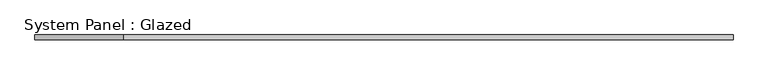
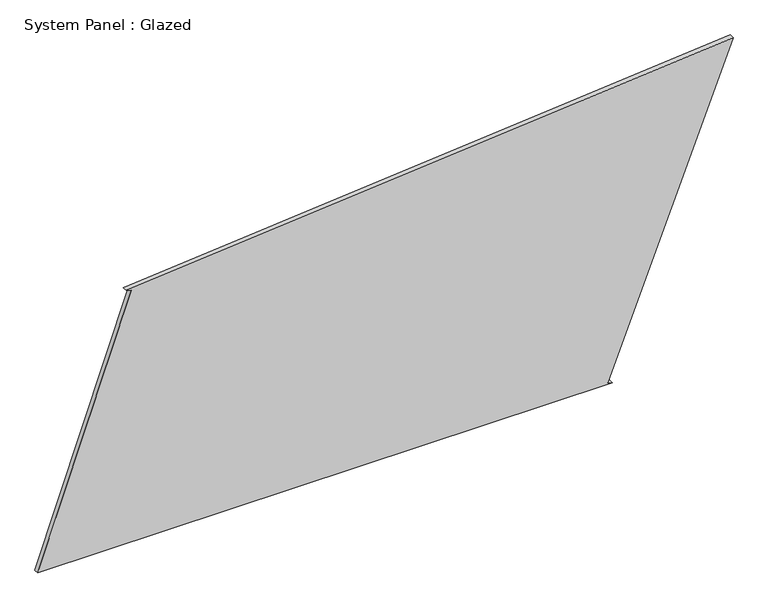
"""IFC4 building model written with IfcOpenShell, lengths in millimetres: plate geometry, System Panel : Glazed."""

from ifc_helpers import new_model, si_unit, frame, origin, place, context, project, spatial, polyline, outline, extrude, source, transform, mapped, element, save


def system_panel_glazed_83387e26(model_context):
    return source(origin(), model_context, "Body", "SweptSolid", [
        extrude(outline(polyline([(0.0, -1736.3080101), (0.0, 1132.7687186), (9.1139056, 1109.4891841), (1610.1893538, 1736.3080101), (1336.9449804, -1294.1897911), (1328.6755509, -1270.597069), (0.0, -1736.3080101)])), frame((0.0, -49.5, 0.0), z_axis=(0.0, 1.0, 0.0), x_axis=(0.0, 0.0, 1.0)), (0.0, 0.0, 1.0), 25.0),
    ])


if __name__ == "__main__":
    model = new_model("IFC4")
    model_context = context("Model", 3, world=origin())
    ifc_project = project(units=[si_unit("LENGTHUNIT", "METRE", prefix="MILLI")], contexts=[model_context])
    site = spatial("IfcSite", under=ifc_project)
    building = spatial("IfcBuilding", under=site)
    placement = place(None, origin())
    system_panel_glazed_shape = system_panel_glazed_83387e26(model_context)
    element("IfcPlate", 1, ObjectType="System Panel : Glazed", at=placement, inside=building, context=model_context, shape_type="MappedRepresentation", body=[
        mapped(system_panel_glazed_shape, transform((0.0, 0.0, 0.0), x_axis=(1.0, 0.0, 0.0), y_axis=(0.0, 1.0, 0.0), z_axis=(0.0, 0.0, 1.0))),
    ])
    save(model, "model.ifc")
